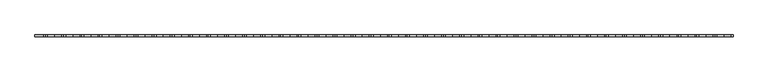
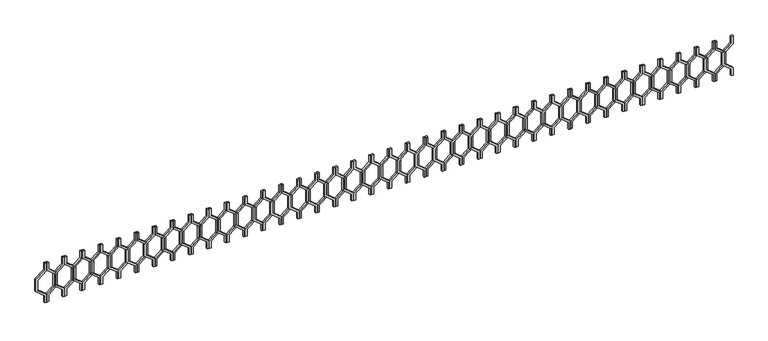
"""IFC4 building model written with IfcOpenShell, lengths in millimetres: railing geometry."""

from ifc_helpers import new_model, si_unit, frame, origin, place, context, project, spatial, polyline, outline, extrude, source, transform, mapped, element, save


def railing_b6f464b7(model_context):
    return source(origin(), model_context, "Body", "SweptSolid", [
        extrude(outline(polyline([(28713.0, -32924.9887159), (28713.0, -32944.9887159), (28633.0, -32944.9887159), (28553.0, -33043.9836653), (28413.0, -33043.9836653), (28333.0, -32944.9887159), (28253.0, -32944.9887159), (28253.0, -32924.9887159), (28342.551845, -32924.9887159), (28422.551845, -33023.9836653), (28543.448155, -33023.9836653), (28623.448155, -32924.9887159), (28713.0, -32924.9887159)])), frame((0.0, -16741.8920513, 0.0), z_axis=(0.0, 1.0, 0.0), x_axis=(0.0, 0.0, 1.0)), (0.0, 0.0, 1.0), 20.0),
        extrude(outline(polyline([(28713.0, -33124.9887159), (28623.448155, -33124.9887159), (28543.448155, -33025.9937665), (28422.551845, -33025.9937665), (28342.551845, -33124.9887159), (28253.0, -33124.9887159), (28253.0, -33104.9887159), (28333.0, -33104.9887159), (28413.0, -33005.9937665), (28553.0, -33005.9937665), (28633.0, -33104.9887159), (28713.0, -33104.9887159), (28713.0, -33124.9887159)])), frame((0.0, -16741.8920513, 0.0), z_axis=(0.0, 1.0, 0.0), x_axis=(0.0, 0.0, 1.0)), (0.0, 0.0, 1.0), 20.0),
        extrude(outline(polyline([(28713.0, -33124.9887159), (28713.0, -33144.9887159), (28633.0, -33144.9887159), (28553.0, -33243.9836653), (28413.0, -33243.9836653), (28333.0, -33144.9887159), (28253.0, -33144.9887159), (28253.0, -33124.9887159), (28342.551845, -33124.9887159), (28422.551845, -33223.9836653), (28543.448155, -33223.9836653), (28623.448155, -33124.9887159), (28713.0, -33124.9887159)])), frame((0.0, -16741.8920513, 0.0), z_axis=(0.0, 1.0, 0.0), x_axis=(0.0, 0.0, 1.0)), (0.0, 0.0, 1.0), 20.0),
        extrude(outline(polyline([(28713.0, -33324.9887159), (28623.448155, -33324.9887159), (28543.448155, -33225.9937665), (28422.551845, -33225.9937665), (28342.551845, -33324.9887159), (28253.0, -33324.9887159), (28253.0, -33304.9887159), (28333.0, -33304.9887159), (28413.0, -33205.9937665), (28553.0, -33205.9937665), (28633.0, -33304.9887159), (28713.0, -33304.9887159), (28713.0, -33324.9887159)])), frame((0.0, -16741.8920513, 0.0), z_axis=(0.0, 1.0, 0.0), x_axis=(0.0, 0.0, 1.0)), (0.0, 0.0, 1.0), 20.0),
        extrude(outline(polyline([(28713.0, -33324.9887159), (28713.0, -33344.9887159), (28633.0, -33344.9887159), (28553.0, -33443.9836653), (28413.0, -33443.9836653), (28333.0, -33344.9887159), (28253.0, -33344.9887159), (28253.0, -33324.9887159), (28342.551845, -33324.9887159), (28422.551845, -33423.9836653), (28543.448155, -33423.9836653), (28623.448155, -33324.9887159), (28713.0, -33324.9887159)])), frame((0.0, -16741.8920513, 0.0), z_axis=(0.0, 1.0, 0.0), x_axis=(0.0, 0.0, 1.0)), (0.0, 0.0, 1.0), 20.0),
        extrude(outline(polyline([(28713.0, -33524.9887159), (28623.448155, -33524.9887159), (28543.448155, -33425.9937665), (28422.551845, -33425.9937665), (28342.551845, -33524.9887159), (28253.0, -33524.9887159), (28253.0, -33504.9887159), (28333.0, -33504.9887159), (28413.0, -33405.9937665), (28553.0, -33405.9937665), (28633.0, -33504.9887159), (28713.0, -33504.9887159), (28713.0, -33524.9887159)])), frame((0.0, -16741.8920513, 0.0), z_axis=(0.0, 1.0, 0.0), x_axis=(0.0, 0.0, 1.0)), (0.0, 0.0, 1.0), 20.0),
        extrude(outline(polyline([(28713.0, -33524.9887159), (28713.0, -33544.9887159), (28633.0, -33544.9887159), (28553.0, -33643.9836653), (28413.0, -33643.9836653), (28333.0, -33544.9887159), (28253.0, -33544.9887159), (28253.0, -33524.9887159), (28342.551845, -33524.9887159), (28422.551845, -33623.9836653), (28543.448155, -33623.9836653), (28623.448155, -33524.9887159), (28713.0, -33524.9887159)])), frame((0.0, -16741.8920513, 0.0), z_axis=(0.0, 1.0, 0.0), x_axis=(0.0, 0.0, 1.0)), (0.0, 0.0, 1.0), 20.0),
        extrude(outline(polyline([(28713.0, -33724.9887159), (28623.448155, -33724.9887159), (28543.448155, -33625.9937665), (28422.551845, -33625.9937665), (28342.551845, -33724.9887159), (28253.0, -33724.9887159), (28253.0, -33704.9887159), (28333.0, -33704.9887159), (28413.0, -33605.9937665), (28553.0, -33605.9937665), (28633.0, -33704.9887159), (28713.0, -33704.9887159), (28713.0, -33724.9887159)])), frame((0.0, -16741.8920513, 0.0), z_axis=(0.0, 1.0, 0.0), x_axis=(0.0, 0.0, 1.0)), (0.0, 0.0, 1.0), 20.0),
        extrude(outline(polyline([(28713.0, -33724.9887159), (28713.0, -33744.9887159), (28633.0, -33744.9887159), (28553.0, -33843.9836653), (28413.0, -33843.9836653), (28333.0, -33744.9887159), (28253.0, -33744.9887159), (28253.0, -33724.9887159), (28342.551845, -33724.9887159), (28422.551845, -33823.9836653), (28543.448155, -33823.9836653), (28623.448155, -33724.9887159), (28713.0, -33724.9887159)])), frame((0.0, -16741.8920513, 0.0), z_axis=(0.0, 1.0, 0.0), x_axis=(0.0, 0.0, 1.0)), (0.0, 0.0, 1.0), 20.0),
        extrude(outline(polyline([(28713.0, -33924.9887159), (28623.448155, -33924.9887159), (28543.448155, -33825.9937665), (28422.551845, -33825.9937665), (28342.551845, -33924.9887159), (28253.0, -33924.9887159), (28253.0, -33904.9887159), (28333.0, -33904.9887159), (28413.0, -33805.9937665), (28553.0, -33805.9937665), (28633.0, -33904.9887159), (28713.0, -33904.9887159), (28713.0, -33924.9887159)])), frame((0.0, -16741.8920513, 0.0), z_axis=(0.0, 1.0, 0.0), x_axis=(0.0, 0.0, 1.0)), (0.0, 0.0, 1.0), 20.0),
        extrude(outline(polyline([(28713.0, -33924.9887159), (28713.0, -33944.9887159), (28633.0, -33944.9887159), (28553.0, -34043.9836653), (28413.0, -34043.9836653), (28333.0, -33944.9887159), (28253.0, -33944.9887159), (28253.0, -33924.9887159), (28342.551845, -33924.9887159), (28422.551845, -34023.9836653), (28543.448155, -34023.9836653), (28623.448155, -33924.9887159), (28713.0, -33924.9887159)])), frame((0.0, -16741.8920513, 0.0), z_axis=(0.0, 1.0, 0.0), x_axis=(0.0, 0.0, 1.0)), (0.0, 0.0, 1.0), 20.0),
        extrude(outline(polyline([(28713.0, -34124.9887159), (28623.448155, -34124.9887159), (28543.448155, -34025.9937665), (28422.551845, -34025.9937665), (28342.551845, -34124.9887159), (28253.0, -34124.9887159), (28253.0, -34104.9887159), (28333.0, -34104.9887159), (28413.0, -34005.9937665), (28553.0, -34005.9937665), (28633.0, -34104.9887159), (28713.0, -34104.9887159), (28713.0, -34124.9887159)])), frame((0.0, -16741.8920513, 0.0), z_axis=(0.0, 1.0, 0.0), x_axis=(0.0, 0.0, 1.0)), (0.0, 0.0, 1.0), 20.0),
        extrude(outline(polyline([(28713.0, -34124.9887159), (28713.0, -34144.9887159), (28633.0, -34144.9887159), (28553.0, -34243.9836653), (28413.0, -34243.9836653), (28333.0, -34144.9887159), (28253.0, -34144.9887159), (28253.0, -34124.9887159), (28342.551845, -34124.9887159), (28422.551845, -34223.9836653), (28543.448155, -34223.9836653), (28623.448155, -34124.9887159), (28713.0, -34124.9887159)])), frame((0.0, -16741.8920513, 0.0), z_axis=(0.0, 1.0, 0.0), x_axis=(0.0, 0.0, 1.0)), (0.0, 0.0, 1.0), 20.0),
        extrude(outline(polyline([(28713.0, -34324.9887159), (28623.448155, -34324.9887159), (28543.448155, -34225.9937665), (28422.551845, -34225.9937665), (28342.551845, -34324.9887159), (28253.0, -34324.9887159), (28253.0, -34304.9887159), (28333.0, -34304.9887159), (28413.0, -34205.9937665), (28553.0, -34205.9937665), (28633.0, -34304.9887159), (28713.0, -34304.9887159), (28713.0, -34324.9887159)])), frame((0.0, -16741.8920513, 0.0), z_axis=(0.0, 1.0, 0.0), x_axis=(0.0, 0.0, 1.0)), (0.0, 0.0, 1.0), 20.0),
        extrude(outline(polyline([(28713.0, -34324.9887159), (28713.0, -34344.9887159), (28633.0, -34344.9887159), (28553.0, -34443.9836653), (28413.0, -34443.9836653), (28333.0, -34344.9887159), (28253.0, -34344.9887159), (28253.0, -34324.9887159), (28342.551845, -34324.9887159), (28422.551845, -34423.9836653), (28543.448155, -34423.9836653), (28623.448155, -34324.9887159), (28713.0, -34324.9887159)])), frame((0.0, -16741.8920513, 0.0), z_axis=(0.0, 1.0, 0.0), x_axis=(0.0, 0.0, 1.0)), (0.0, 0.0, 1.0), 20.0),
        extrude(outline(polyline([(28713.0, -34524.9887159), (28623.448155, -34524.9887159), (28543.448155, -34425.9937665), (28422.551845, -34425.9937665), (28342.551845, -34524.9887159), (28253.0, -34524.9887159), (28253.0, -34504.9887159), (28333.0, -34504.9887159), (28413.0, -34405.9937665), (28553.0, -34405.9937665), (28633.0, -34504.9887159), (28713.0, -34504.9887159), (28713.0, -34524.9887159)])), frame((0.0, -16741.8920513, 0.0), z_axis=(0.0, 1.0, 0.0), x_axis=(0.0, 0.0, 1.0)), (0.0, 0.0, 1.0), 20.0),
        extrude(outline(polyline([(28713.0, -34524.9887159), (28713.0, -34544.9887159), (28633.0, -34544.9887159), (28553.0, -34643.9836653), (28413.0, -34643.9836653), (28333.0, -34544.9887159), (28253.0, -34544.9887159), (28253.0, -34524.9887159), (28342.551845, -34524.9887159), (28422.551845, -34623.9836653), (28543.448155, -34623.9836653), (28623.448155, -34524.9887159), (28713.0, -34524.9887159)])), frame((0.0, -16741.8920513, 0.0), z_axis=(0.0, 1.0, 0.0), x_axis=(0.0, 0.0, 1.0)), (0.0, 0.0, 1.0), 20.0),
        extrude(outline(polyline([(28713.0, -34724.9887159), (28623.448155, -34724.9887159), (28543.448155, -34625.9937665), (28422.551845, -34625.9937665), (28342.551845, -34724.9887159), (28253.0, -34724.9887159), (28253.0, -34704.9887159), (28333.0, -34704.9887159), (28413.0, -34605.9937665), (28553.0, -34605.9937665), (28633.0, -34704.9887159), (28713.0, -34704.9887159), (28713.0, -34724.9887159)])), frame((0.0, -16741.8920513, 0.0), z_axis=(0.0, 1.0, 0.0), x_axis=(0.0, 0.0, 1.0)), (0.0, 0.0, 1.0), 20.0),
        extrude(outline(polyline([(28713.0, -34724.9887159), (28713.0, -34744.9887159), (28633.0, -34744.9887159), (28553.0, -34843.9836653), (28413.0, -34843.9836653), (28333.0, -34744.9887159), (28253.0, -34744.9887159), (28253.0, -34724.9887159), (28342.551845, -34724.9887159), (28422.551845, -34823.9836653), (28543.448155, -34823.9836653), (28623.448155, -34724.9887159), (28713.0, -34724.9887159)])), frame((0.0, -16741.8920513, 0.0), z_axis=(0.0, 1.0, 0.0), x_axis=(0.0, 0.0, 1.0)), (0.0, 0.0, 1.0), 20.0),
        extrude(outline(polyline([(28713.0, -34924.9887159), (28623.448155, -34924.9887159), (28543.448155, -34825.9937665), (28422.551845, -34825.9937665), (28342.551845, -34924.9887159), (28253.0, -34924.9887159), (28253.0, -34904.9887159), (28333.0, -34904.9887159), (28413.0, -34805.9937665), (28553.0, -34805.9937665), (28633.0, -34904.9887159), (28713.0, -34904.9887159), (28713.0, -34924.9887159)])), frame((0.0, -16741.8920513, 0.0), z_axis=(0.0, 1.0, 0.0), x_axis=(0.0, 0.0, 1.0)), (0.0, 0.0, 1.0), 20.0),
        extrude(outline(polyline([(28713.0, -34924.9887159), (28713.0, -34944.9887159), (28633.0, -34944.9887159), (28553.0, -35043.9836653), (28413.0, -35043.9836653), (28333.0, -34944.9887159), (28253.0, -34944.9887159), (28253.0, -34924.9887159), (28342.551845, -34924.9887159), (28422.551845, -35023.9836653), (28543.448155, -35023.9836653), (28623.448155, -34924.9887159), (28713.0, -34924.9887159)])), frame((0.0, -16741.8920513, 0.0), z_axis=(0.0, 1.0, 0.0), x_axis=(0.0, 0.0, 1.0)), (0.0, 0.0, 1.0), 20.0),
        extrude(outline(polyline([(28713.0, -35124.9887159), (28623.448155, -35124.9887159), (28543.448155, -35025.9937665), (28422.551845, -35025.9937665), (28342.551845, -35124.9887159), (28253.0, -35124.9887159), (28253.0, -35104.9887159), (28333.0, -35104.9887159), (28413.0, -35005.9937665), (28553.0, -35005.9937665), (28633.0, -35104.9887159), (28713.0, -35104.9887159), (28713.0, -35124.9887159)])), frame((0.0, -16741.8920513, 0.0), z_axis=(0.0, 1.0, 0.0), x_axis=(0.0, 0.0, 1.0)), (0.0, 0.0, 1.0), 20.0),
        extrude(outline(polyline([(28713.0, -35124.9887159), (28713.0, -35144.9887159), (28633.0, -35144.9887159), (28553.0, -35243.9836653), (28413.0, -35243.9836653), (28333.0, -35144.9887159), (28253.0, -35144.9887159), (28253.0, -35124.9887159), (28342.551845, -35124.9887159), (28422.551845, -35223.9836653), (28543.448155, -35223.9836653), (28623.448155, -35124.9887159), (28713.0, -35124.9887159)])), frame((0.0, -16741.8920513, 0.0), z_axis=(0.0, 1.0, 0.0), x_axis=(0.0, 0.0, 1.0)), (0.0, 0.0, 1.0), 20.0),
        extrude(outline(polyline([(28713.0, -35324.9887159), (28623.448155, -35324.9887159), (28543.448155, -35225.9937665), (28422.551845, -35225.9937665), (28342.551845, -35324.9887159), (28253.0, -35324.9887159), (28253.0, -35304.9887159), (28333.0, -35304.9887159), (28413.0, -35205.9937665), (28553.0, -35205.9937665), (28633.0, -35304.9887159), (28713.0, -35304.9887159), (28713.0, -35324.9887159)])), frame((0.0, -16741.8920513, 0.0), z_axis=(0.0, 1.0, 0.0), x_axis=(0.0, 0.0, 1.0)), (0.0, 0.0, 1.0), 20.0),
        extrude(outline(polyline([(28713.0, -35324.9887159), (28713.0, -35344.9887159), (28633.0, -35344.9887159), (28553.0, -35443.9836653), (28413.0, -35443.9836653), (28333.0, -35344.9887159), (28253.0, -35344.9887159), (28253.0, -35324.9887159), (28342.551845, -35324.9887159), (28422.551845, -35423.9836653), (28543.448155, -35423.9836653), (28623.448155, -35324.9887159), (28713.0, -35324.9887159)])), frame((0.0, -16741.8920513, 0.0), z_axis=(0.0, 1.0, 0.0), x_axis=(0.0, 0.0, 1.0)), (0.0, 0.0, 1.0), 20.0),
        extrude(outline(polyline([(28713.0, -35524.9887159), (28623.448155, -35524.9887159), (28543.448155, -35425.9937665), (28422.551845, -35425.9937665), (28342.551845, -35524.9887159), (28253.0, -35524.9887159), (28253.0, -35504.9887159), (28333.0, -35504.9887159), (28413.0, -35405.9937665), (28553.0, -35405.9937665), (28633.0, -35504.9887159), (28713.0, -35504.9887159), (28713.0, -35524.9887159)])), frame((0.0, -16741.8920513, 0.0), z_axis=(0.0, 1.0, 0.0), x_axis=(0.0, 0.0, 1.0)), (0.0, 0.0, 1.0), 20.0),
        extrude(outline(polyline([(28713.0, -35524.9887159), (28713.0, -35544.9887159), (28633.0, -35544.9887159), (28553.0, -35643.9836653), (28413.0, -35643.9836653), (28333.0, -35544.9887159), (28253.0, -35544.9887159), (28253.0, -35524.9887159), (28342.551845, -35524.9887159), (28422.551845, -35623.9836653), (28543.448155, -35623.9836653), (28623.448155, -35524.9887159), (28713.0, -35524.9887159)])), frame((0.0, -16741.8920513, 0.0), z_axis=(0.0, 1.0, 0.0), x_axis=(0.0, 0.0, 1.0)), (0.0, 0.0, 1.0), 20.0),
        extrude(outline(polyline([(28713.0, -35724.9887159), (28623.448155, -35724.9887159), (28543.448155, -35625.9937665), (28422.551845, -35625.9937665), (28342.551845, -35724.9887159), (28253.0, -35724.9887159), (28253.0, -35704.9887159), (28333.0, -35704.9887159), (28413.0, -35605.9937665), (28553.0, -35605.9937665), (28633.0, -35704.9887159), (28713.0, -35704.9887159), (28713.0, -35724.9887159)])), frame((0.0, -16741.8920513, 0.0), z_axis=(0.0, 1.0, 0.0), x_axis=(0.0, 0.0, 1.0)), (0.0, 0.0, 1.0), 20.0),
        extrude(outline(polyline([(28713.0, -35724.9887159), (28713.0, -35744.9887159), (28633.0, -35744.9887159), (28553.0, -35843.9836653), (28413.0, -35843.9836653), (28333.0, -35744.9887159), (28253.0, -35744.9887159), (28253.0, -35724.9887159), (28342.551845, -35724.9887159), (28422.551845, -35823.9836653), (28543.448155, -35823.9836653), (28623.448155, -35724.9887159), (28713.0, -35724.9887159)])), frame((0.0, -16741.8920513, 0.0), z_axis=(0.0, 1.0, 0.0), x_axis=(0.0, 0.0, 1.0)), (0.0, 0.0, 1.0), 20.0),
        extrude(outline(polyline([(28713.0, -35924.9887159), (28623.448155, -35924.9887159), (28543.448155, -35825.9937665), (28422.551845, -35825.9937665), (28342.551845, -35924.9887159), (28253.0, -35924.9887159), (28253.0, -35904.9887159), (28333.0, -35904.9887159), (28413.0, -35805.9937665), (28553.0, -35805.9937665), (28633.0, -35904.9887159), (28713.0, -35904.9887159), (28713.0, -35924.9887159)])), frame((0.0, -16741.8920513, 0.0), z_axis=(0.0, 1.0, 0.0), x_axis=(0.0, 0.0, 1.0)), (0.0, 0.0, 1.0), 20.0),
        extrude(outline(polyline([(28713.0, -35924.9887159), (28713.0, -35944.9887159), (28633.0, -35944.9887159), (28553.0, -36043.9836653), (28413.0, -36043.9836653), (28333.0, -35944.9887159), (28253.0, -35944.9887159), (28253.0, -35924.9887159), (28342.551845, -35924.9887159), (28422.551845, -36023.9836653), (28543.448155, -36023.9836653), (28623.448155, -35924.9887159), (28713.0, -35924.9887159)])), frame((0.0, -16741.8920513, 0.0), z_axis=(0.0, 1.0, 0.0), x_axis=(0.0, 0.0, 1.0)), (0.0, 0.0, 1.0), 20.0),
        extrude(outline(polyline([(28713.0, -36124.9887159), (28623.448155, -36124.9887159), (28543.448155, -36025.9937665), (28422.551845, -36025.9937665), (28342.551845, -36124.9887159), (28253.0, -36124.9887159), (28253.0, -36104.9887159), (28333.0, -36104.9887159), (28413.0, -36005.9937665), (28553.0, -36005.9937665), (28633.0, -36104.9887159), (28713.0, -36104.9887159), (28713.0, -36124.9887159)])), frame((0.0, -16741.8920513, 0.0), z_axis=(0.0, 1.0, 0.0), x_axis=(0.0, 0.0, 1.0)), (0.0, 0.0, 1.0), 20.0),
        extrude(outline(polyline([(28713.0, -36124.9887159), (28713.0, -36144.9887159), (28633.0, -36144.9887159), (28553.0, -36243.9836653), (28413.0, -36243.9836653), (28333.0, -36144.9887159), (28253.0, -36144.9887159), (28253.0, -36124.9887159), (28342.551845, -36124.9887159), (28422.551845, -36223.9836653), (28543.448155, -36223.9836653), (28623.448155, -36124.9887159), (28713.0, -36124.9887159)])), frame((0.0, -16741.8920513, 0.0), z_axis=(0.0, 1.0, 0.0), x_axis=(0.0, 0.0, 1.0)), (0.0, 0.0, 1.0), 20.0),
        extrude(outline(polyline([(28713.0, -36324.9887159), (28623.448155, -36324.9887159), (28543.448155, -36225.9937665), (28422.551845, -36225.9937665), (28342.551845, -36324.9887159), (28253.0, -36324.9887159), (28253.0, -36304.9887159), (28333.0, -36304.9887159), (28413.0, -36205.9937665), (28553.0, -36205.9937665), (28633.0, -36304.9887159), (28713.0, -36304.9887159), (28713.0, -36324.9887159)])), frame((0.0, -16741.8920513, 0.0), z_axis=(0.0, 1.0, 0.0), x_axis=(0.0, 0.0, 1.0)), (0.0, 0.0, 1.0), 20.0),
        extrude(outline(polyline([(28713.0, -36324.9887159), (28713.0, -36344.9887159), (28633.0, -36344.9887159), (28553.0, -36443.9836653), (28413.0, -36443.9836653), (28333.0, -36344.9887159), (28253.0, -36344.9887159), (28253.0, -36324.9887159), (28342.551845, -36324.9887159), (28422.551845, -36423.9836653), (28543.448155, -36423.9836653), (28623.448155, -36324.9887159), (28713.0, -36324.9887159)])), frame((0.0, -16741.8920513, 0.0), z_axis=(0.0, 1.0, 0.0), x_axis=(0.0, 0.0, 1.0)), (0.0, 0.0, 1.0), 20.0),
        extrude(outline(polyline([(28713.0, -36524.9887159), (28623.448155, -36524.9887159), (28543.448155, -36425.9937665), (28422.551845, -36425.9937665), (28342.551845, -36524.9887159), (28253.0, -36524.9887159), (28253.0, -36504.9887159), (28333.0, -36504.9887159), (28413.0, -36405.9937665), (28553.0, -36405.9937665), (28633.0, -36504.9887159), (28713.0, -36504.9887159), (28713.0, -36524.9887159)])), frame((0.0, -16741.8920513, 0.0), z_axis=(0.0, 1.0, 0.0), x_axis=(0.0, 0.0, 1.0)), (0.0, 0.0, 1.0), 20.0),
        extrude(outline(polyline([(28713.0, -36524.9887159), (28713.0, -36544.9887159), (28633.0, -36544.9887159), (28553.0, -36643.9836653), (28413.0, -36643.9836653), (28333.0, -36544.9887159), (28253.0, -36544.9887159), (28253.0, -36524.9887159), (28342.551845, -36524.9887159), (28422.551845, -36623.9836653), (28543.448155, -36623.9836653), (28623.448155, -36524.9887159), (28713.0, -36524.9887159)])), frame((0.0, -16741.8920513, 0.0), z_axis=(0.0, 1.0, 0.0), x_axis=(0.0, 0.0, 1.0)), (0.0, 0.0, 1.0), 20.0),
        extrude(outline(polyline([(28713.0, -36724.9887159), (28623.448155, -36724.9887159), (28543.448155, -36625.9937665), (28422.551845, -36625.9937665), (28342.551845, -36724.9887159), (28253.0, -36724.9887159), (28253.0, -36704.9887159), (28333.0, -36704.9887159), (28413.0, -36605.9937665), (28553.0, -36605.9937665), (28633.0, -36704.9887159), (28713.0, -36704.9887159), (28713.0, -36724.9887159)])), frame((0.0, -16741.8920513, 0.0), z_axis=(0.0, 1.0, 0.0), x_axis=(0.0, 0.0, 1.0)), (0.0, 0.0, 1.0), 20.0),
        extrude(outline(polyline([(28713.0, -36724.9887159), (28713.0, -36744.9887159), (28633.0, -36744.9887159), (28553.0, -36843.9836653), (28413.0, -36843.9836653), (28333.0, -36744.9887159), (28253.0, -36744.9887159), (28253.0, -36724.9887159), (28342.551845, -36724.9887159), (28422.551845, -36823.9836653), (28543.448155, -36823.9836653), (28623.448155, -36724.9887159), (28713.0, -36724.9887159)])), frame((0.0, -16741.8920513, 0.0), z_axis=(0.0, 1.0, 0.0), x_axis=(0.0, 0.0, 1.0)), (0.0, 0.0, 1.0), 20.0),
        extrude(outline(polyline([(28713.0, -36924.9887159), (28623.448155, -36924.9887159), (28543.448155, -36825.9937665), (28422.551845, -36825.9937665), (28342.551845, -36924.9887159), (28253.0, -36924.9887159), (28253.0, -36904.9887159), (28333.0, -36904.9887159), (28413.0, -36805.9937665), (28553.0, -36805.9937665), (28633.0, -36904.9887159), (28713.0, -36904.9887159), (28713.0, -36924.9887159)])), frame((0.0, -16741.8920513, 0.0), z_axis=(0.0, 1.0, 0.0), x_axis=(0.0, 0.0, 1.0)), (0.0, 0.0, 1.0), 20.0),
        extrude(outline(polyline([(28713.0, -36924.9887159), (28713.0, -36944.9887159), (28633.0, -36944.9887159), (28553.0, -37043.9836653), (28413.0, -37043.9836653), (28333.0, -36944.9887159), (28253.0, -36944.9887159), (28253.0, -36924.9887159), (28342.551845, -36924.9887159), (28422.551845, -37023.9836653), (28543.448155, -37023.9836653), (28623.448155, -36924.9887159), (28713.0, -36924.9887159)])), frame((0.0, -16741.8920513, 0.0), z_axis=(0.0, 1.0, 0.0), x_axis=(0.0, 0.0, 1.0)), (0.0, 0.0, 1.0), 20.0),
        extrude(outline(polyline([(28713.0, -37124.9887159), (28623.448155, -37124.9887159), (28543.448155, -37025.9937665), (28422.551845, -37025.9937665), (28342.551845, -37124.9887159), (28253.0, -37124.9887159), (28253.0, -37104.9887159), (28333.0, -37104.9887159), (28413.0, -37005.9937665), (28553.0, -37005.9937665), (28633.0, -37104.9887159), (28713.0, -37104.9887159), (28713.0, -37124.9887159)])), frame((0.0, -16741.8920513, 0.0), z_axis=(0.0, 1.0, 0.0), x_axis=(0.0, 0.0, 1.0)), (0.0, 0.0, 1.0), 20.0),
        extrude(outline(polyline([(28713.0, -37124.9887159), (28713.0, -37144.9887159), (28633.0, -37144.9887159), (28553.0, -37243.9836653), (28413.0, -37243.9836653), (28333.0, -37144.9887159), (28253.0, -37144.9887159), (28253.0, -37124.9887159), (28342.551845, -37124.9887159), (28422.551845, -37223.9836653), (28543.448155, -37223.9836653), (28623.448155, -37124.9887159), (28713.0, -37124.9887159)])), frame((0.0, -16741.8920513, 0.0), z_axis=(0.0, 1.0, 0.0), x_axis=(0.0, 0.0, 1.0)), (0.0, 0.0, 1.0), 20.0),
        extrude(outline(polyline([(28713.0, -37324.9887159), (28623.448155, -37324.9887159), (28543.448155, -37225.9937665), (28422.551845, -37225.9937665), (28342.551845, -37324.9887159), (28253.0, -37324.9887159), (28253.0, -37304.9887159), (28333.0, -37304.9887159), (28413.0, -37205.9937665), (28553.0, -37205.9937665), (28633.0, -37304.9887159), (28713.0, -37304.9887159), (28713.0, -37324.9887159)])), frame((0.0, -16741.8920513, 0.0), z_axis=(0.0, 1.0, 0.0), x_axis=(0.0, 0.0, 1.0)), (0.0, 0.0, 1.0), 20.0),
        extrude(outline(polyline([(28713.0, -37324.9887159), (28713.0, -37344.9887159), (28633.0, -37344.9887159), (28553.0, -37443.9836653), (28413.0, -37443.9836653), (28333.0, -37344.9887159), (28253.0, -37344.9887159), (28253.0, -37324.9887159), (28342.551845, -37324.9887159), (28422.551845, -37423.9836653), (28543.448155, -37423.9836653), (28623.448155, -37324.9887159), (28713.0, -37324.9887159)])), frame((0.0, -16741.8920513, 0.0), z_axis=(0.0, 1.0, 0.0), x_axis=(0.0, 0.0, 1.0)), (0.0, 0.0, 1.0), 20.0),
        extrude(outline(polyline([(28713.0, -37524.9887159), (28623.448155, -37524.9887159), (28543.448155, -37425.9937665), (28422.551845, -37425.9937665), (28342.551845, -37524.9887159), (28253.0, -37524.9887159), (28253.0, -37504.9887159), (28333.0, -37504.9887159), (28413.0, -37405.9937665), (28553.0, -37405.9937665), (28633.0, -37504.9887159), (28713.0, -37504.9887159), (28713.0, -37524.9887159)])), frame((0.0, -16741.8920513, 0.0), z_axis=(0.0, 1.0, 0.0), x_axis=(0.0, 0.0, 1.0)), (0.0, 0.0, 1.0), 20.0),
        extrude(outline(polyline([(28713.0, -37524.9887159), (28713.0, -37544.9887159), (28633.0, -37544.9887159), (28553.0, -37643.9836653), (28413.0, -37643.9836653), (28333.0, -37544.9887159), (28253.0, -37544.9887159), (28253.0, -37524.9887159), (28342.551845, -37524.9887159), (28422.551845, -37623.9836653), (28543.448155, -37623.9836653), (28623.448155, -37524.9887159), (28713.0, -37524.9887159)])), frame((0.0, -16741.8920513, 0.0), z_axis=(0.0, 1.0, 0.0), x_axis=(0.0, 0.0, 1.0)), (0.0, 0.0, 1.0), 20.0),
        extrude(outline(polyline([(28713.0, -37724.9887159), (28623.448155, -37724.9887159), (28543.448155, -37625.9937665), (28422.551845, -37625.9937665), (28342.551845, -37724.9887159), (28253.0, -37724.9887159), (28253.0, -37704.9887159), (28333.0, -37704.9887159), (28413.0, -37605.9937665), (28553.0, -37605.9937665), (28633.0, -37704.9887159), (28713.0, -37704.9887159), (28713.0, -37724.9887159)])), frame((0.0, -16741.8920513, 0.0), z_axis=(0.0, 1.0, 0.0), x_axis=(0.0, 0.0, 1.0)), (0.0, 0.0, 1.0), 20.0),
        extrude(outline(polyline([(28713.0, -37724.9887159), (28713.0, -37744.9887159), (28633.0, -37744.9887159), (28553.0, -37843.9836653), (28413.0, -37843.9836653), (28333.0, -37744.9887159), (28253.0, -37744.9887159), (28253.0, -37724.9887159), (28342.551845, -37724.9887159), (28422.551845, -37823.9836653), (28543.448155, -37823.9836653), (28623.448155, -37724.9887159), (28713.0, -37724.9887159)])), frame((0.0, -16741.8920513, 0.0), z_axis=(0.0, 1.0, 0.0), x_axis=(0.0, 0.0, 1.0)), (0.0, 0.0, 1.0), 20.0),
        extrude(outline(polyline([(28713.0, -37924.9887159), (28623.448155, -37924.9887159), (28543.448155, -37825.9937665), (28422.551845, -37825.9937665), (28342.551845, -37924.9887159), (28253.0, -37924.9887159), (28253.0, -37904.9887159), (28333.0, -37904.9887159), (28413.0, -37805.9937665), (28553.0, -37805.9937665), (28633.0, -37904.9887159), (28713.0, -37904.9887159), (28713.0, -37924.9887159)])), frame((0.0, -16741.8920513, 0.0), z_axis=(0.0, 1.0, 0.0), x_axis=(0.0, 0.0, 1.0)), (0.0, 0.0, 1.0), 20.0),
        extrude(outline(polyline([(28713.0, -37924.9887159), (28713.0, -37944.9887159), (28633.0, -37944.9887159), (28553.0, -38043.9836653), (28413.0, -38043.9836653), (28333.0, -37944.9887159), (28253.0, -37944.9887159), (28253.0, -37924.9887159), (28342.551845, -37924.9887159), (28422.551845, -38023.9836653), (28543.448155, -38023.9836653), (28623.448155, -37924.9887159), (28713.0, -37924.9887159)])), frame((0.0, -16741.8920513, 0.0), z_axis=(0.0, 1.0, 0.0), x_axis=(0.0, 0.0, 1.0)), (0.0, 0.0, 1.0), 20.0),
        extrude(outline(polyline([(28713.0, -38124.9887159), (28623.448155, -38124.9887159), (28543.448155, -38025.9937665), (28422.551845, -38025.9937665), (28342.551845, -38124.9887159), (28253.0, -38124.9887159), (28253.0, -38104.9887159), (28333.0, -38104.9887159), (28413.0, -38005.9937665), (28553.0, -38005.9937665), (28633.0, -38104.9887159), (28713.0, -38104.9887159), (28713.0, -38124.9887159)])), frame((0.0, -16741.8920513, 0.0), z_axis=(0.0, 1.0, 0.0), x_axis=(0.0, 0.0, 1.0)), (0.0, 0.0, 1.0), 20.0),
        extrude(outline(polyline([(28713.0, -38124.9887159), (28713.0, -38144.9887159), (28633.0, -38144.9887159), (28553.0, -38243.9836653), (28413.0, -38243.9836653), (28333.0, -38144.9887159), (28253.0, -38144.9887159), (28253.0, -38124.9887159), (28342.551845, -38124.9887159), (28422.551845, -38223.9836653), (28543.448155, -38223.9836653), (28623.448155, -38124.9887159), (28713.0, -38124.9887159)])), frame((0.0, -16741.8920513, 0.0), z_axis=(0.0, 1.0, 0.0), x_axis=(0.0, 0.0, 1.0)), (0.0, 0.0, 1.0), 20.0),
        extrude(outline(polyline([(28713.0, -38324.9887159), (28623.448155, -38324.9887159), (28543.448155, -38225.9937665), (28422.551845, -38225.9937665), (28342.551845, -38324.9887159), (28253.0, -38324.9887159), (28253.0, -38304.9887159), (28333.0, -38304.9887159), (28413.0, -38205.9937665), (28553.0, -38205.9937665), (28633.0, -38304.9887159), (28713.0, -38304.9887159), (28713.0, -38324.9887159)])), frame((0.0, -16741.8920513, 0.0), z_axis=(0.0, 1.0, 0.0), x_axis=(0.0, 0.0, 1.0)), (0.0, 0.0, 1.0), 20.0),
        extrude(outline(polyline([(28713.0, -38324.9887159), (28713.0, -38344.9887159), (28633.0, -38344.9887159), (28553.0, -38443.9836653), (28413.0, -38443.9836653), (28333.0, -38344.9887159), (28253.0, -38344.9887159), (28253.0, -38324.9887159), (28342.551845, -38324.9887159), (28422.551845, -38423.9836653), (28543.448155, -38423.9836653), (28623.448155, -38324.9887159), (28713.0, -38324.9887159)])), frame((0.0, -16741.8920513, 0.0), z_axis=(0.0, 1.0, 0.0), x_axis=(0.0, 0.0, 1.0)), (0.0, 0.0, 1.0), 20.0),
        extrude(outline(polyline([(28713.0, -38524.9887159), (28623.448155, -38524.9887159), (28543.448155, -38425.9937665), (28422.551845, -38425.9937665), (28342.551845, -38524.9887159), (28253.0, -38524.9887159), (28253.0, -38504.9887159), (28333.0, -38504.9887159), (28413.0, -38405.9937665), (28553.0, -38405.9937665), (28633.0, -38504.9887159), (28713.0, -38504.9887159), (28713.0, -38524.9887159)])), frame((0.0, -16741.8920513, 0.0), z_axis=(0.0, 1.0, 0.0), x_axis=(0.0, 0.0, 1.0)), (0.0, 0.0, 1.0), 20.0),
        extrude(outline(polyline([(28713.0, -38524.9887159), (28713.0, -38544.9887159), (28633.0, -38544.9887159), (28553.0, -38643.9836653), (28413.0, -38643.9836653), (28333.0, -38544.9887159), (28253.0, -38544.9887159), (28253.0, -38524.9887159), (28342.551845, -38524.9887159), (28422.551845, -38623.9836653), (28543.448155, -38623.9836653), (28623.448155, -38524.9887159), (28713.0, -38524.9887159)])), frame((0.0, -16741.8920513, 0.0), z_axis=(0.0, 1.0, 0.0), x_axis=(0.0, 0.0, 1.0)), (0.0, 0.0, 1.0), 20.0),
        extrude(outline(polyline([(28713.0, -38724.9887159), (28623.448155, -38724.9887159), (28543.448155, -38625.9937665), (28422.551845, -38625.9937665), (28342.551845, -38724.9887159), (28253.0, -38724.9887159), (28253.0, -38704.9887159), (28333.0, -38704.9887159), (28413.0, -38605.9937665), (28553.0, -38605.9937665), (28633.0, -38704.9887159), (28713.0, -38704.9887159), (28713.0, -38724.9887159)])), frame((0.0, -16741.8920513, 0.0), z_axis=(0.0, 1.0, 0.0), x_axis=(0.0, 0.0, 1.0)), (0.0, 0.0, 1.0), 20.0),
        extrude(outline(polyline([(28713.0, -38724.9887159), (28713.0, -38744.9887159), (28633.0, -38744.9887159), (28553.0, -38843.9836653), (28413.0, -38843.9836653), (28333.0, -38744.9887159), (28253.0, -38744.9887159), (28253.0, -38724.9887159), (28342.551845, -38724.9887159), (28422.551845, -38823.9836653), (28543.448155, -38823.9836653), (28623.448155, -38724.9887159), (28713.0, -38724.9887159)])), frame((0.0, -16741.8920513, 0.0), z_axis=(0.0, 1.0, 0.0), x_axis=(0.0, 0.0, 1.0)), (0.0, 0.0, 1.0), 20.0),
        extrude(outline(polyline([(28713.0, -38924.9887159), (28623.448155, -38924.9887159), (28543.448155, -38825.9937665), (28422.551845, -38825.9937665), (28342.551845, -38924.9887159), (28253.0, -38924.9887159), (28253.0, -38904.9887159), (28333.0, -38904.9887159), (28413.0, -38805.9937665), (28553.0, -38805.9937665), (28633.0, -38904.9887159), (28713.0, -38904.9887159), (28713.0, -38924.9887159)])), frame((0.0, -16741.8920513, 0.0), z_axis=(0.0, 1.0, 0.0), x_axis=(0.0, 0.0, 1.0)), (0.0, 0.0, 1.0), 20.0),
        extrude(outline(polyline([(28713.0, -38924.9887159), (28713.0, -38944.9887159), (28633.0, -38944.9887159), (28553.0, -39043.9836653), (28413.0, -39043.9836653), (28333.0, -38944.9887159), (28253.0, -38944.9887159), (28253.0, -38924.9887159), (28342.551845, -38924.9887159), (28422.551845, -39023.9836653), (28543.448155, -39023.9836653), (28623.448155, -38924.9887159), (28713.0, -38924.9887159)])), frame((0.0, -16741.8920513, 0.0), z_axis=(0.0, 1.0, 0.0), x_axis=(0.0, 0.0, 1.0)), (0.0, 0.0, 1.0), 20.0),
        extrude(outline(polyline([(28713.0, -39124.9887159), (28623.448155, -39124.9887159), (28543.448155, -39025.9937665), (28422.551845, -39025.9937665), (28342.551845, -39124.9887159), (28253.0, -39124.9887159), (28253.0, -39104.9887159), (28333.0, -39104.9887159), (28413.0, -39005.9937665), (28553.0, -39005.9937665), (28633.0, -39104.9887159), (28713.0, -39104.9887159), (28713.0, -39124.9887159)])), frame((0.0, -16741.8920513, 0.0), z_axis=(0.0, 1.0, 0.0), x_axis=(0.0, 0.0, 1.0)), (0.0, 0.0, 1.0), 20.0),
        extrude(outline(polyline([(28713.0, -39124.9887159), (28713.0, -39144.9887159), (28633.0, -39144.9887159), (28553.0, -39243.9836653), (28413.0, -39243.9836653), (28333.0, -39144.9887159), (28253.0, -39144.9887159), (28253.0, -39124.9887159), (28342.551845, -39124.9887159), (28422.551845, -39223.9836653), (28543.448155, -39223.9836653), (28623.448155, -39124.9887159), (28713.0, -39124.9887159)])), frame((0.0, -16741.8920513, 0.0), z_axis=(0.0, 1.0, 0.0), x_axis=(0.0, 0.0, 1.0)), (0.0, 0.0, 1.0), 20.0),
        extrude(outline(polyline([(28713.0, -39324.9887159), (28623.448155, -39324.9887159), (28543.448155, -39225.9937665), (28422.551845, -39225.9937665), (28342.551845, -39324.9887159), (28253.0, -39324.9887159), (28253.0, -39304.9887159), (28333.0, -39304.9887159), (28413.0, -39205.9937665), (28553.0, -39205.9937665), (28633.0, -39304.9887159), (28713.0, -39304.9887159), (28713.0, -39324.9887159)])), frame((0.0, -16741.8920513, 0.0), z_axis=(0.0, 1.0, 0.0), x_axis=(0.0, 0.0, 1.0)), (0.0, 0.0, 1.0), 20.0),
        extrude(outline(polyline([(28713.0, -39324.9887159), (28713.0, -39344.9887159), (28633.0, -39344.9887159), (28553.0, -39443.9836653), (28413.0, -39443.9836653), (28333.0, -39344.9887159), (28253.0, -39344.9887159), (28253.0, -39324.9887159), (28342.551845, -39324.9887159), (28422.551845, -39423.9836653), (28543.448155, -39423.9836653), (28623.448155, -39324.9887159), (28713.0, -39324.9887159)])), frame((0.0, -16741.8920513, 0.0), z_axis=(0.0, 1.0, 0.0), x_axis=(0.0, 0.0, 1.0)), (0.0, 0.0, 1.0), 20.0),
        extrude(outline(polyline([(28713.0, -39524.9887159), (28623.448155, -39524.9887159), (28543.448155, -39425.9937665), (28422.551845, -39425.9937665), (28342.551845, -39524.9887159), (28253.0, -39524.9887159), (28253.0, -39504.9887159), (28333.0, -39504.9887159), (28413.0, -39405.9937665), (28553.0, -39405.9937665), (28633.0, -39504.9887159), (28713.0, -39504.9887159), (28713.0, -39524.9887159)])), frame((0.0, -16741.8920513, 0.0), z_axis=(0.0, 1.0, 0.0), x_axis=(0.0, 0.0, 1.0)), (0.0, 0.0, 1.0), 20.0),
        extrude(outline(polyline([(28713.0, -39524.9887159), (28713.0, -39544.9887159), (28633.0, -39544.9887159), (28553.0, -39643.9836653), (28413.0, -39643.9836653), (28333.0, -39544.9887159), (28253.0, -39544.9887159), (28253.0, -39524.9887159), (28342.551845, -39524.9887159), (28422.551845, -39623.9836653), (28543.448155, -39623.9836653), (28623.448155, -39524.9887159), (28713.0, -39524.9887159)])), frame((0.0, -16741.8920513, 0.0), z_axis=(0.0, 1.0, 0.0), x_axis=(0.0, 0.0, 1.0)), (0.0, 0.0, 1.0), 20.0),
        extrude(outline(polyline([(28713.0, -39724.9887159), (28623.448155, -39724.9887159), (28543.448155, -39625.9937665), (28422.551845, -39625.9937665), (28342.551845, -39724.9887159), (28253.0, -39724.9887159), (28253.0, -39704.9887159), (28333.0, -39704.9887159), (28413.0, -39605.9937665), (28553.0, -39605.9937665), (28633.0, -39704.9887159), (28713.0, -39704.9887159), (28713.0, -39724.9887159)])), frame((0.0, -16741.8920513, 0.0), z_axis=(0.0, 1.0, 0.0), x_axis=(0.0, 0.0, 1.0)), (0.0, 0.0, 1.0), 20.0),
        extrude(outline(polyline([(28713.0, -39724.9887159), (28713.0, -39744.9887159), (28633.0, -39744.9887159), (28553.0, -39843.9836653), (28413.0, -39843.9836653), (28333.0, -39744.9887159), (28253.0, -39744.9887159), (28253.0, -39724.9887159), (28342.551845, -39724.9887159), (28422.551845, -39823.9836653), (28543.448155, -39823.9836653), (28623.448155, -39724.9887159), (28713.0, -39724.9887159)])), frame((0.0, -16741.8920513, 0.0), z_axis=(0.0, 1.0, 0.0), x_axis=(0.0, 0.0, 1.0)), (0.0, 0.0, 1.0), 20.0),
        extrude(outline(polyline([(28713.0, -39924.9887159), (28623.448155, -39924.9887159), (28543.448155, -39825.9937665), (28422.551845, -39825.9937665), (28342.551845, -39924.9887159), (28253.0, -39924.9887159), (28253.0, -39904.9887159), (28333.0, -39904.9887159), (28413.0, -39805.9937665), (28553.0, -39805.9937665), (28633.0, -39904.9887159), (28713.0, -39904.9887159), (28713.0, -39924.9887159)])), frame((0.0, -16741.8920513, 0.0), z_axis=(0.0, 1.0, 0.0), x_axis=(0.0, 0.0, 1.0)), (0.0, 0.0, 1.0), 20.0),
        extrude(outline(polyline([(28713.0, -39924.9887159), (28713.0, -39944.9887159), (28633.0, -39944.9887159), (28553.0, -40043.9836653), (28413.0, -40043.9836653), (28333.0, -39944.9887159), (28253.0, -39944.9887159), (28253.0, -39924.9887159), (28342.551845, -39924.9887159), (28422.551845, -40023.9836653), (28543.448155, -40023.9836653), (28623.448155, -39924.9887159), (28713.0, -39924.9887159)])), frame((0.0, -16741.8920513, 0.0), z_axis=(0.0, 1.0, 0.0), x_axis=(0.0, 0.0, 1.0)), (0.0, 0.0, 1.0), 20.0),
        extrude(outline(polyline([(28713.0, -40124.9887159), (28623.448155, -40124.9887159), (28543.448155, -40025.9937665), (28422.551845, -40025.9937665), (28342.551845, -40124.9887159), (28253.0, -40124.9887159), (28253.0, -40104.9887159), (28333.0, -40104.9887159), (28413.0, -40005.9937665), (28553.0, -40005.9937665), (28633.0, -40104.9887159), (28713.0, -40104.9887159), (28713.0, -40124.9887159)])), frame((0.0, -16741.8920513, 0.0), z_axis=(0.0, 1.0, 0.0), x_axis=(0.0, 0.0, 1.0)), (0.0, 0.0, 1.0), 20.0),
        extrude(outline(polyline([(28713.0, -40124.9887159), (28713.0, -40144.9887159), (28633.0, -40144.9887159), (28553.0, -40243.9836653), (28413.0, -40243.9836653), (28333.0, -40144.9887159), (28253.0, -40144.9887159), (28253.0, -40124.9887159), (28342.551845, -40124.9887159), (28422.551845, -40223.9836653), (28543.448155, -40223.9836653), (28623.448155, -40124.9887159), (28713.0, -40124.9887159)])), frame((0.0, -16741.8920513, 0.0), z_axis=(0.0, 1.0, 0.0), x_axis=(0.0, 0.0, 1.0)), (0.0, 0.0, 1.0), 20.0),
        extrude(outline(polyline([(28713.0, -40324.9887159), (28623.448155, -40324.9887159), (28543.448155, -40225.9937665), (28422.551845, -40225.9937665), (28342.551845, -40324.9887159), (28253.0, -40324.9887159), (28253.0, -40304.9887159), (28333.0, -40304.9887159), (28413.0, -40205.9937665), (28553.0, -40205.9937665), (28633.0, -40304.9887159), (28713.0, -40304.9887159), (28713.0, -40324.9887159)])), frame((0.0, -16741.8920513, 0.0), z_axis=(0.0, 1.0, 0.0), x_axis=(0.0, 0.0, 1.0)), (0.0, 0.0, 1.0), 20.0),
        extrude(outline(polyline([(28713.0, -40324.9887159), (28713.0, -40344.9887159), (28633.0, -40344.9887159), (28553.0, -40443.9836653), (28413.0, -40443.9836653), (28333.0, -40344.9887159), (28253.0, -40344.9887159), (28253.0, -40324.9887159), (28342.551845, -40324.9887159), (28422.551845, -40423.9836653), (28543.448155, -40423.9836653), (28623.448155, -40324.9887159), (28713.0, -40324.9887159)])), frame((0.0, -16741.8920513, 0.0), z_axis=(0.0, 1.0, 0.0), x_axis=(0.0, 0.0, 1.0)), (0.0, 0.0, 1.0), 20.0),
        extrude(outline(polyline([(28713.0, -40524.9887159), (28623.448155, -40524.9887159), (28543.448155, -40425.9937665), (28422.551845, -40425.9937665), (28342.551845, -40524.9887159), (28253.0, -40524.9887159), (28253.0, -40504.9887159), (28333.0, -40504.9887159), (28413.0, -40405.9937665), (28553.0, -40405.9937665), (28633.0, -40504.9887159), (28713.0, -40504.9887159), (28713.0, -40524.9887159)])), frame((0.0, -16741.8920513, 0.0), z_axis=(0.0, 1.0, 0.0), x_axis=(0.0, 0.0, 1.0)), (0.0, 0.0, 1.0), 20.0),
        extrude(outline(polyline([(28713.0, -40524.9887159), (28713.0, -40544.9887159), (28633.0, -40544.9887159), (28553.0, -40643.9836653), (28413.0, -40643.9836653), (28333.0, -40544.9887159), (28253.0, -40544.9887159), (28253.0, -40524.9887159), (28342.551845, -40524.9887159), (28422.551845, -40623.9836653), (28543.448155, -40623.9836653), (28623.448155, -40524.9887159), (28713.0, -40524.9887159)])), frame((0.0, -16741.8920513, 0.0), z_axis=(0.0, 1.0, 0.0), x_axis=(0.0, 0.0, 1.0)), (0.0, 0.0, 1.0), 20.0),
    ])


if __name__ == "__main__":
    model = new_model("IFC4")
    model_context = context("Model", 3, world=origin())
    ifc_project = project(units=[si_unit("LENGTHUNIT", "METRE", prefix="MILLI")], contexts=[model_context])
    site = spatial("IfcSite", under=ifc_project)
    building = spatial("IfcBuilding", under=site)
    placement = place(None, origin())
    railing_shape = railing_b6f464b7(model_context)
    element("IfcRailing", 1, at=placement, inside=building, context=model_context, shape_type="MappedRepresentation", body=[
        mapped(railing_shape, transform((0.0, 0.0, 0.0), x_axis=(1.0, 0.0, 0.0), y_axis=(0.0, 1.0, 0.0), z_axis=(0.0, 0.0, 1.0))),
    ])
    save(model, "model.ifc")
